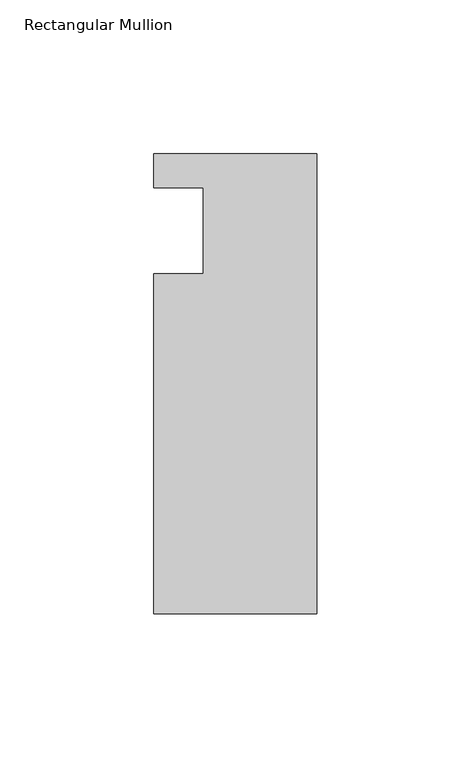
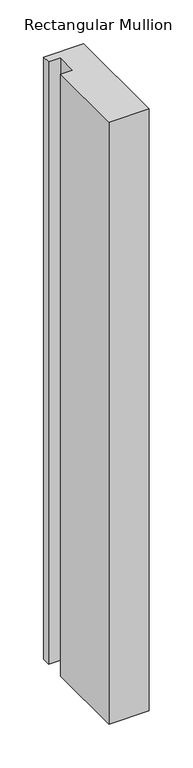
"""IFC4 building model written with IfcOpenShell, lengths in millimetres: member geometry, Rectangular Mullion."""

from ifc_helpers import new_model, si_unit, frame, origin, place, context, project, spatial, polyline, outline, extrude, source, transform, mapped, element, save


def rectangular_mullion_f368b0ba(model_context):
    return source(origin(), model_context, "Body", "SweptSolid", [
        extrude(outline(polyline([(0.0, 25.0), (0.0, -124.5), (-53.0, -124.5), (-53.0, -14.0), (-37.0, -14.0), (-37.0, 14.0), (-53.0, 14.0), (-53.0, 25.0), (0.0, 25.0)])), frame((0.0, 0.0, -839.9204768), z_axis=(0.0, 0.0, 1.0), x_axis=(1.0, 0.0, 0.0)), (0.0, 0.0, 1.0), 839.9204768),
    ])


if __name__ == "__main__":
    model = new_model("IFC4")
    model_context = context("Model", 3, world=origin())
    ifc_project = project(units=[si_unit("LENGTHUNIT", "METRE", prefix="MILLI")], contexts=[model_context])
    site = spatial("IfcSite", under=ifc_project)
    building = spatial("IfcBuilding", under=site)
    placement = place(None, origin())
    rectangular_mullion_shape = rectangular_mullion_f368b0ba(model_context)
    element("IfcMember", 1, ObjectType="Rectangular Mullion", at=placement, inside=building, context=model_context, shape_type="MappedRepresentation", body=[
        mapped(rectangular_mullion_shape, transform((0.0, 0.0, 0.0), x_axis=(1.0, 0.0, 0.0), y_axis=(0.0, 1.0, 0.0), z_axis=(0.0, 0.0, 1.0))),
    ])
    save(model, "model.ifc")
